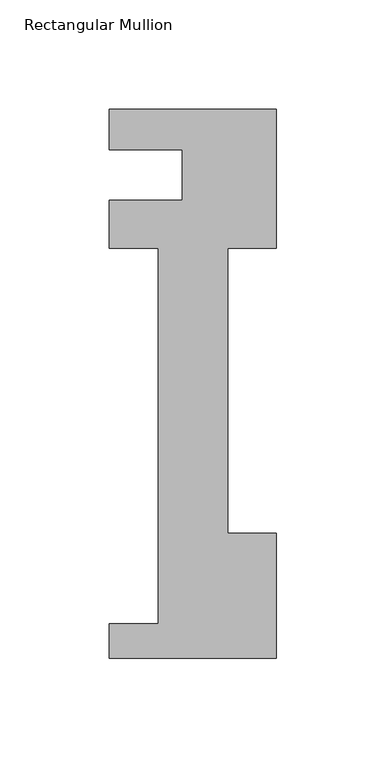
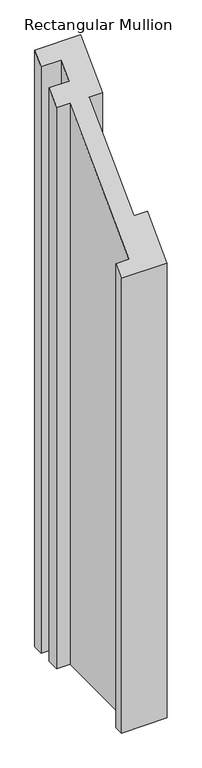
"""IFC4 building model written with IfcOpenShell, lengths in millimetres: member geometry, Rectangular Mullion."""

from ifc_helpers import new_model, si_unit, origin, place, context, project, spatial, faceted_brep, source, transform, mapped, element, save


def rectangular_mullion_975cbdc4(model_context):
    return source(origin(), model_context, "Body", "Brep", [
        faceted_brep([(-76.2, -221.996, -1024.4666667), (-76.2, -206.121, -1024.4666667), (-53.975, -206.121, -1024.4666667), (-53.975, -34.671, -1024.4666667), (-76.2, -34.671, -1024.4666667), (-76.2, -12.7, -1024.4666667), (-42.8625, -12.7, -1024.4666667), (-42.8625, 10.3191857, -1024.4666667), (-76.2, 10.3191857, -1024.4666667), (-76.2, 28.8080986, -1024.4666667), (0.0, 28.8080986, -1024.4666667), (0.0, -34.671, -1024.4666667), (-22.225, -34.671, -1024.4666667), (-22.225, -164.8220701, -1024.4666667), (0.0, -164.8220701, -1024.4666667), (0.0, -221.996, -1024.4666667), (0.0, -221.996, -221.996), (-76.2, -221.996, -221.996), (0.0, -164.8220701, -164.8220701), (-22.225, -164.8220701, -164.8220701), (-22.225, -34.671, -34.671), (0.0, -34.671, -34.671), (0.0, 28.8080986, 28.8080986), (-76.2, 28.8080986, 28.8080986), (-76.2, 10.3191857, 10.3191857), (-42.8625, 10.3191857, 10.3191857), (-42.8625, -12.7, -12.7), (-76.2, -12.7, -12.7), (-76.2, -34.671, -34.671), (-53.975, -34.671, -34.671), (-53.975, -206.121, -206.121), (-76.2, -206.121, -206.121)], [[[0, 1, 2, 3, 4, 5, 6, 7, 8, 9, 10, 11, 12, 13, 14, 15]], [[16, 17, 0, 15]], [[18, 16, 15, 14]], [[19, 18, 14, 13]], [[20, 19, 13, 12]], [[21, 20, 12, 11]], [[22, 21, 11, 10]], [[23, 22, 10, 9]], [[24, 23, 9, 8]], [[25, 24, 8, 7]], [[26, 25, 7, 6]], [[27, 26, 6, 5]], [[28, 27, 5, 4]], [[29, 28, 4, 3]], [[30, 29, 3, 2]], [[31, 30, 2, 1]], [[17, 31, 1, 0]], [[17, 16, 18, 19, 20, 21, 22, 23, 24, 25, 26, 27, 28, 29, 30, 31]]]),
    ])


if __name__ == "__main__":
    model = new_model("IFC4")
    model_context = context("Model", 3, world=origin())
    ifc_project = project(units=[si_unit("LENGTHUNIT", "METRE", prefix="MILLI")], contexts=[model_context])
    site = spatial("IfcSite", under=ifc_project)
    building = spatial("IfcBuilding", under=site)
    placement = place(None, origin())
    rectangular_mullion_shape = rectangular_mullion_975cbdc4(model_context)
    element("IfcMember", 1, ObjectType="Rectangular Mullion", at=placement, inside=building, context=model_context, shape_type="MappedRepresentation", body=[
        mapped(rectangular_mullion_shape, transform((0.0, 0.0, 0.0), x_axis=(1.0, 0.0, 0.0), y_axis=(0.0, 1.0, 0.0), z_axis=(0.0, 0.0, 1.0))),
    ])
    save(model, "model.ifc")
